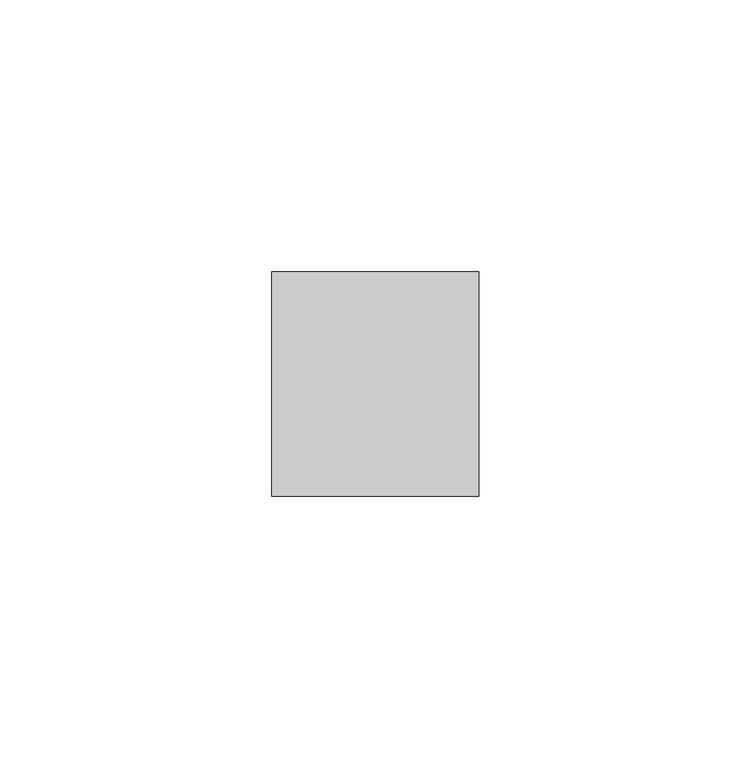
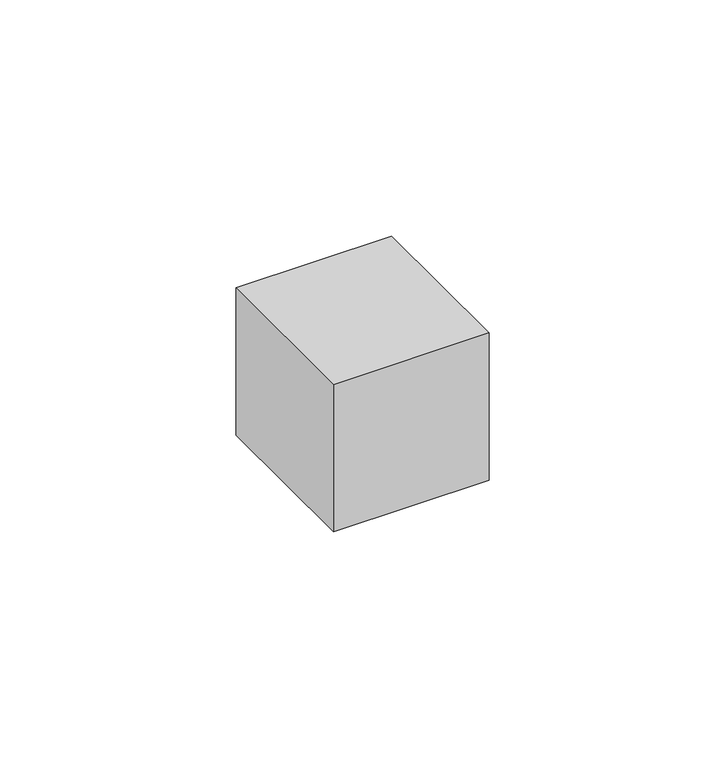
"""IFC4 building model written with IfcOpenShell, lengths in millimetres: proxy geometry."""

import ifcopenshell
import ifcopenshell.guid

model = None  # the IFC model being written
_history = None  # IfcOwnerHistory: only IFC2X3 demands one
_inside = {}  # id of a spatial element -> (the spatial element, [elements in it])
_under = {}  # id of a project, library or spatial element -> (it, [spatial elements below it])
_declared = {}  # id of a project -> (the project, [libraries it declares])
_typed = {}  # id of a type object -> (the type object, [elements of that type])
_made_of = {}  # id of a material, layer set ... -> (it, [elements and type objects made of it])


def new_model(schema):
    """Start an empty IFC model of exactly this schema.

    Asked for "IFC4X3", IfcOpenShell would pick the latest addendum, in which some entities
    have other attributes; the version numbers below select the first issue.
    IFC2X3 requires an IfcOwnerHistory on every rooted entity: one is made here for all.
    """
    global model, _history
    if schema == "IFC4X3":
        model = ifcopenshell.file(schema_version=(4, 3, 0, 0))
    else:
        model = ifcopenshell.file(schema=schema)
    _inside.clear()
    _under.clear()
    _declared.clear()
    _typed.clear()
    _made_of.clear()
    _history = None
    if model.schema == "IFC2X3":
        org = make("IfcOrganization", Name="unknown")
        user = make(
            "IfcPersonAndOrganization",
            ThePerson=make("IfcPerson", FamilyName="unknown"),
            TheOrganization=org,
        )
        app = make(
            "IfcApplication",
            ApplicationDeveloper=org,
            Version="unknown",
            ApplicationFullName="unknown",
            ApplicationIdentifier="unknown",
        )
        _history = make(
            "IfcOwnerHistory",
            OwningUser=user,
            OwningApplication=app,
            ChangeAction="ADDED",
            CreationDate=0,
        )
    return model


def make(cls, **values):
    """One entity of the class cls with the attributes given. An attribute that is None is left unset."""
    return model.create_entity(
        cls, **{name: value for name, value in values.items() if value is not None}
    )


def rooted(cls, **values):
    """An entity with a GlobalId (a new one), such as an element, a storey or a relation."""
    return make(cls, GlobalId=ifcopenshell.guid.new(), OwnerHistory=_history, **values)


def si_unit(unit_type, name, prefix=None):
    """IfcSIUnit, for example si_unit("LENGTHUNIT", "METRE", prefix="MILLI")."""
    return make("IfcSIUnit", UnitType=unit_type, Prefix=prefix, Name=name)


def assignment(units):
    """IfcUnitAssignment: the units of a project."""
    return None if units is None else make("IfcUnitAssignment", Units=units)


def point(xyz):
    """IfcCartesianPoint."""
    return None if xyz is None else make("IfcCartesianPoint", Coordinates=xyz)


def direction(xyz):
    """IfcDirection."""
    return None if xyz is None else make("IfcDirection", DirectionRatios=xyz)


def frame(location, z_axis=None, x_axis=None):
    """IfcAxis2Placement3D, a coordinate frame: its origin and axes. An axis left out is left unset."""
    return make(
        "IfcAxis2Placement3D",
        Location=point(location),
        Axis=direction(z_axis),
        RefDirection=direction(x_axis),
    )


def origin():
    """The frame at (0, 0, 0) with its axes left unset."""
    return frame((0.0, 0.0, 0.0))


def place(relative_to, where):
    """IfcLocalPlacement: puts the frame where relative to a parent placement (None: the world)."""
    return make(
        "IfcLocalPlacement", PlacementRelTo=relative_to, RelativePlacement=where
    )


def context(
    kind, dimensions, precision=None, world=None, true_north=None, identifier=None
):
    """IfcGeometricRepresentationContext, for example the 3D "Model" context."""
    return make(
        "IfcGeometricRepresentationContext",
        ContextIdentifier=identifier,
        ContextType=kind,
        CoordinateSpaceDimension=dimensions,
        Precision=precision,
        WorldCoordinateSystem=world,
        TrueNorth=true_north,
    )


def project(units=None, contexts=None):
    """IfcProject with its units and contexts."""
    return rooted(
        "IfcProject",
        Name="project",
        RepresentationContexts=contexts,
        UnitsInContext=assignment(units),
    )


def spatial(cls, under=None, at=None, **own):
    """A site, building, storey or space (cls), placed at a placement, below another one or the project."""
    s = rooted(cls, ObjectPlacement=at, **own)
    if under is not None:
        _under.setdefault(under.id(), (under, []))[1].append(s)
    return s


def polyline(points):
    """IfcPolyline through the points."""
    return make("IfcPolyline", Points=[point(p) for p in points])


def outline(outer, holes=None, kind="AREA"):
    """IfcArbitraryClosedProfileDef: a profile drawn as a closed curve; with holes, ...WithVoids."""
    if holes is None:
        return make("IfcArbitraryClosedProfileDef", ProfileType=kind, OuterCurve=outer)
    return make(
        "IfcArbitraryProfileDefWithVoids",
        ProfileType=kind,
        OuterCurve=outer,
        InnerCurves=holes,
    )


def extrude(swept, where, along, depth):
    """IfcExtrudedAreaSolid: the profile swept, set in the frame where, extruded along a direction by depth."""
    return make(
        "IfcExtrudedAreaSolid",
        SweptArea=swept,
        Position=where,
        ExtrudedDirection=direction(along),
        Depth=depth,
    )


def shape(context_of_items, identifier, shape_type, items):
    """IfcShapeRepresentation: the items that make up one representation, for example the "Body"."""
    return make(
        "IfcShapeRepresentation",
        ContextOfItems=context_of_items,
        RepresentationIdentifier=identifier,
        RepresentationType=shape_type,
        Items=items,
    )


def source(mapping_origin, context_of_items, identifier, shape_type, items):
    """IfcRepresentationMap: a shape defined once, which mapped items show again and again."""
    return make(
        "IfcRepresentationMap",
        MappingOrigin=mapping_origin,
        MappedRepresentation=shape(context_of_items, identifier, shape_type, items),
    )


def transform(
    local_origin,
    x_axis=None,
    y_axis=None,
    z_axis=None,
    scale=None,
    scale2=None,
    scale3=None,
    uniform=True,
):
    """IfcCartesianTransformationOperator3D, or its non-uniform kind. x_axis, y_axis, z_axis: its Axis1, 2, 3."""
    if uniform:
        return make(
            "IfcCartesianTransformationOperator3D",
            Axis1=direction(x_axis),
            Axis2=direction(y_axis),
            LocalOrigin=point(local_origin),
            Scale=scale,
            Axis3=direction(z_axis),
        )
    return make(
        "IfcCartesianTransformationOperator3DnonUniform",
        Axis1=direction(x_axis),
        Axis2=direction(y_axis),
        LocalOrigin=point(local_origin),
        Scale=scale,
        Axis3=direction(z_axis),
        Scale2=scale2,
        Scale3=scale3,
    )


def mapped(mapping_source, mapping_target):
    """IfcMappedItem: shows the shape of a source again, moved by a transform."""
    return make(
        "IfcMappedItem", MappingSource=mapping_source, MappingTarget=mapping_target
    )


def made_of(thing, what):
    """Note that an element or type object is made of a material, layer set ...; save() writes the relation."""
    if what is not None:
        _made_of.setdefault(what.id(), (what, []))[1].append(thing)
    return thing


def element(
    cls,
    number,
    at=None,
    inside=None,
    cuts=None,
    type_object=None,
    material=None,
    context=None,
    identifier="Body",
    shape_type=None,
    held_by="IfcProductDefinitionShape",
    body=None,
    shapes=None,
    **own,
):
    """One element of the class cls, such as IfcWall. Its Tag is "e" and its number.

    at: its placement. inside: the storey or other place that contains it. cuts: it is an
    opening in that element (IfcRelVoidsElement). A single representation is given by context,
    identifier, shape_type and body (its items); several are given by shapes. held_by: the class
    of the entity that holds the representations. save() writes the other relations.
    """
    e = rooted(cls, Tag="e%d" % number, ObjectPlacement=at, **own)
    if body is not None:
        shapes = [shape(context, identifier, shape_type, body)]
    if shapes is not None:
        e.Representation = make(held_by, Representations=shapes)
    if inside is not None:
        _inside.setdefault(inside.id(), (inside, []))[1].append(e)
    if cuts is not None:
        rooted(
            "IfcRelVoidsElement", RelatingBuildingElement=cuts, RelatedOpeningElement=e
        )
    if type_object is not None:
        _typed.setdefault(type_object.id(), (type_object, []))[1].append(e)
    return made_of(e, material)


def aggregate(whole, parts):
    """IfcRelAggregates: a whole, such as a stair, and the parts it consists of."""
    return rooted("IfcRelAggregates", RelatingObject=whole, RelatedObjects=parts)


def save(model, path):
    """Write the relations noted so far, then the file.

    IfcRelAggregates (storeys below a building ...), IfcRelContainedInSpatialStructure (elements
    in a storey), IfcRelDefinesByType, IfcRelAssociatesMaterial and IfcRelDeclares: one each for
    every whole, place, type object, material and project.
    """
    for whole, parts in _under.values():
        aggregate(whole, parts)
    for where, things in _inside.values():
        rooted(
            "IfcRelContainedInSpatialStructure",
            RelatedElements=things,
            RelatingStructure=where,
        )
    for kind, things in _typed.values():
        rooted("IfcRelDefinesByType", RelatedObjects=things, RelatingType=kind)
    for what, things in _made_of.values():
        rooted("IfcRelAssociatesMaterial", RelatedObjects=things, RelatingMaterial=what)
    for by, libraries in _declared.values():
        rooted("IfcRelDeclares", RelatingContext=by, RelatedDefinitions=libraries)
    model.write(path)


def building_element_proxy_fbc6aa89(model_context):
    return source(origin(), model_context, "Body", "SweptSolid", [
        extrude(outline(polyline([(19.05, 76.2), (19.05, 34.925), (-19.05, 34.925), (-19.05, 76.2), (19.05, 76.2)])), frame((0.0, 0.0, 31.75), z_axis=(0.0, 0.0, 1.0), x_axis=(1.0, 0.0, 0.0)), (0.0, 0.0, 1.0), 38.1),
    ])


if __name__ == "__main__":
    model = new_model("IFC4")
    model_context = context("Model", 3, world=origin())
    ifc_project = project(units=[si_unit("LENGTHUNIT", "METRE", prefix="MILLI")], contexts=[model_context])
    site = spatial("IfcSite", under=ifc_project)
    building = spatial("IfcBuilding", under=site)
    placement = place(None, origin())
    building_element_proxy_shape = building_element_proxy_fbc6aa89(model_context)
    element("IfcBuildingElementProxy", 1, Name="Building Element Proxy", at=placement, inside=building, context=model_context, shape_type="MappedRepresentation", body=[
        mapped(building_element_proxy_shape, transform((0.0, 0.0, 0.0), x_axis=(1.0, 0.0, 0.0), y_axis=(0.0, 1.0, 0.0), z_axis=(0.0, 0.0, 1.0))),
    ])
    save(model, "model.ifc")
